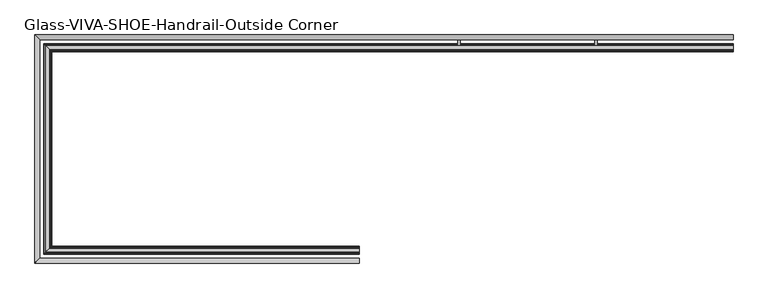
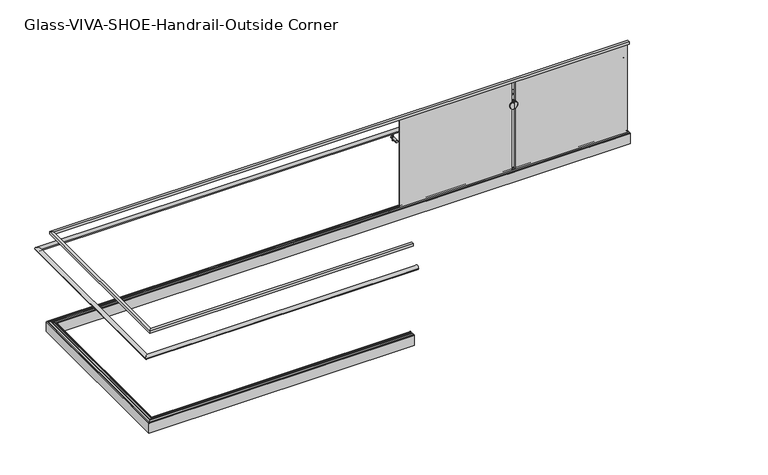
"""IFC4 building model written with IfcOpenShell, lengths in millimetres: railing geometry, Glass-VIVA-SHOE-Handrail-Outside Corner."""

from ifc_helpers import new_model, si_unit, point, frame, frame_2d, origin, place, context, project, spatial, polyline, circle_curve, ellipse_curve, trimmed, segment, composite_curve, outline, extrude, faceted_brep, source, transform, mapped, element, save
from ifc_brep_helpers import plane_surface, cylinder_surface, revolved_surface, advanced_brep


def glass_viva_shoe_handrail_outside_corner_a963de84(model_context):
    return source(origin(), model_context, "Body", "SolidModel", [
        advanced_brep(
        [(-12806.0014824, 8555.574143, 3040.0), (-12806.0014824, 8565.099143, 3040.0), (-12806.0014824, 8565.099143, 3041.5875), (-12806.0014824, 8609.549143, 3041.5875), (-12806.0014824, 8609.549143, 3040.0), (-12806.0014824, 8619.074143, 3040.0), (-12806.0014824, 8619.074143, 3138.425), (-12806.0014824, 8615.899143, 3141.6), (-12806.0014824, 8607.961643, 3141.6), (-12806.0014824, 8607.961643, 3138.425), (-12806.0014824, 8607.961643, 3135.25), (-12806.0014824, 8607.961643, 3068.575), (-12806.0014824, 8600.024143, 3068.575), (-12806.0014824, 8600.024143, 3062.225), (-12806.0014824, 8596.849143, 3059.05), (-12806.0014824, 8577.799143, 3059.05), (-12806.0014824, 8574.624143, 3062.225), (-12806.0014824, 8574.624143, 3068.575), (-12806.0014824, 8566.686643, 3068.575), (-12806.0014824, 8566.686643, 3135.25), (-12806.0014824, 8566.686643, 3138.425), (-12806.0014824, 8566.686643, 3141.6), (-12806.0014824, 8558.749143, 3141.6), (-12806.0014824, 8555.574143, 3138.425), (-15337.7514824, 8555.574143, 3040.0), (-15328.2264824, 8565.099143, 3040.0), (-15328.2264824, 8565.099143, 3041.5875), (-15283.7764824, 8609.549143, 3041.5875), (-15283.7764824, 8609.549143, 3040.0), (-15274.2514824, 8619.074143, 3040.0), (-15274.2514824, 8619.074143, 3138.425), (-15277.4264824, 8615.899143, 3141.6), (-15285.3639824, 8607.961643, 3141.6), (-15285.3639824, 8607.961643, 3138.425), (-15285.3639824, 8607.961643, 3135.25), (-15285.3639824, 8607.961643, 3068.575), (-15293.3014824, 8600.024143, 3068.575), (-15293.3014824, 8600.024143, 3062.225), (-15296.4764824, 8596.849143, 3059.05), (-15315.5264824, 8577.799143, 3059.05), (-15318.7014824, 8574.624143, 3062.225), (-15318.7014824, 8574.624143, 3068.575), (-15326.6389824, 8566.686643, 3068.575), (-15326.6389824, 8566.686643, 3135.25), (-15326.6389824, 8566.686643, 3138.425), (-15326.6389824, 8566.686643, 3141.6), (-15334.5764824, 8558.749143, 3141.6), (-15337.7514824, 8555.574143, 3138.425), (-15337.7514824, 10246.074143, 3040.0), (-15328.2264824, 10236.549143, 3040.0), (-15328.2264824, 10236.549143, 3041.5875), (-15283.7764824, 10192.099143, 3041.5875), (-15283.7764824, 10192.099143, 3040.0), (-15274.2514824, 10182.574143, 3040.0), (-15274.2514824, 10182.574143, 3138.425), (-15277.4264824, 10185.749143, 3141.6), (-15285.3639824, 10193.686643, 3141.6), (-15285.3639824, 10193.686643, 3138.425), (-15285.3639824, 10193.686643, 3135.25), (-15285.3639824, 10193.686643, 3068.575), (-15293.3014824, 10201.624143, 3068.575), (-15293.3014824, 10201.624143, 3062.225), (-15296.4764824, 10204.799143, 3059.05), (-15315.5264824, 10223.849143, 3059.05), (-15318.7014824, 10227.024143, 3062.225), (-15318.7014824, 10227.024143, 3068.575), (-15326.6389824, 10234.961643, 3068.575), (-15326.6389824, 10234.961643, 3135.25), (-15326.6389824, 10234.961643, 3138.425), (-15326.6389824, 10234.961643, 3141.6), (-15334.5764824, 10242.899143, 3141.6), (-15337.7514824, 10246.074143, 3138.425), (-9806.0014824, 10246.074143, 3040.0), (-9806.0014824, 10246.074143, 3138.425), (-9806.0014824, 10242.899143, 3141.6), (-9806.0014824, 10234.961643, 3141.6), (-9806.0014824, 10234.961643, 3138.425), (-9806.0014824, 10234.961643, 3135.25), (-9806.0014824, 10234.961643, 3068.575), (-9806.0014824, 10227.024143, 3068.575), (-9806.0014824, 10227.024143, 3062.225), (-9806.0014824, 10223.849143, 3059.05), (-9806.0014824, 10204.799143, 3059.05), (-9806.0014824, 10201.624143, 3062.225), (-9806.0014824, 10201.624143, 3068.575), (-9806.0014824, 10193.686643, 3068.575), (-9806.0014824, 10193.686643, 3135.25), (-9806.0014824, 10193.686643, 3138.425), (-9806.0014824, 10193.686643, 3141.6), (-9806.0014824, 10185.749143, 3141.6), (-9806.0014824, 10182.574143, 3138.425), (-9806.0014824, 10182.574143, 3040.0), (-9806.0014824, 10192.099143, 3040.0), (-9806.0014824, 10192.099143, 3041.5875), (-9806.0014824, 10236.549143, 3041.5875), (-9806.0014824, 10236.549143, 3040.0)],
        [
            (0, 1),
            (1, 2),
            (2, 3),
            (3, 4),
            (4, 5),
            (5, 6),
            (6, 7, circle_curve(frame((-12806.0014824, 8615.899143, 3138.425), z_axis=(1.0, 0.0, 0.0), x_axis=(0.0, -1.0, 0.0)), 3.175)),
            (7, 8),
            (8, 9),
            (9, 10, circle_curve(frame((-12806.0014824, 8607.961643, 3136.8375), z_axis=(-1.0, 0.0, 0.0), x_axis=(0.0, -1.0, 0.0)), 1.5875)),
            (10, 11),
            (11, 12),
            (12, 13),
            (13, 14, circle_curve(frame((-12806.0014824, 8596.849143, 3062.225), z_axis=(-1.0, 0.0, 0.0), x_axis=(0.0, -1.0, 0.0)), 3.175)),
            (14, 15),
            (15, 16, circle_curve(frame((-12806.0014824, 8577.799143, 3062.225), z_axis=(-1.0, 0.0, 0.0), x_axis=(0.0, 1.0, 0.0)), 3.175)),
            (16, 17),
            (17, 18),
            (18, 19),
            (19, 20, circle_curve(frame((-12806.0014824, 8566.686643, 3136.8375), z_axis=(-1.0, 0.0, 0.0), x_axis=(0.0, 1.0, 0.0)), 1.5875)),
            (20, 21),
            (21, 22),
            (22, 23, circle_curve(frame((-12806.0014824, 8558.749143, 3138.425), z_axis=(1.0, 0.0, 0.0), x_axis=(0.0, 1.0, 0.0)), 3.175)),
            (23, 0),
            (0, 24),
            (24, 25),
            (25, 1),
            (25, 26),
            (26, 2),
            (26, 27),
            (27, 3),
            (27, 28),
            (28, 4),
            (28, 29),
            (29, 5),
            (29, 30),
            (30, 6),
            (30, 31, ellipse_curve(frame((-15277.4264824, 8615.899143, 3138.425), z_axis=(0.7071067811865459, -0.7071067811865491, 0.0), x_axis=(0.7071067811865492, 0.7071067811865458, 0.0)), 4.4901281, 3.175)),
            (31, 7),
            (31, 32),
            (32, 8),
            (32, 33),
            (33, 9),
            (33, 34, ellipse_curve(frame((-15285.3639824, 8607.961643, 3136.8375), z_axis=(-0.7071067811865459, 0.7071067811865491, 0.0), x_axis=(-0.7071067811865492, -0.7071067811865458, 0.0)), 2.245064, 1.5875)),
            (34, 10),
            (34, 35),
            (35, 11),
            (35, 36),
            (36, 12),
            (36, 37),
            (37, 13),
            (37, 38, ellipse_curve(frame((-15296.4764824, 8596.849143, 3062.225), z_axis=(-0.7071067811865459, 0.7071067811865491, 0.0), x_axis=(-0.7071067811865492, -0.7071067811865458, 0.0)), 4.4901281, 3.175)),
            (38, 14),
            (38, 39),
            (39, 15),
            (39, 40, ellipse_curve(frame((-15315.5264824, 8577.799143, 3062.225), z_axis=(-0.7071067811865459, 0.7071067811865491, 0.0), x_axis=(-0.7071067811865492, -0.7071067811865458, 0.0)), 4.4901281, 3.175)),
            (40, 16),
            (40, 41),
            (41, 17),
            (41, 42),
            (42, 18),
            (42, 43),
            (43, 19),
            (43, 44, ellipse_curve(frame((-15326.6389824, 8566.686643, 3136.8375), z_axis=(-0.7071067811865459, 0.7071067811865491, 0.0), x_axis=(-0.7071067811865492, -0.7071067811865458, 0.0)), 2.245064, 1.5875)),
            (44, 20),
            (44, 45),
            (45, 21),
            (45, 46),
            (46, 22),
            (46, 47, ellipse_curve(frame((-15334.5764824, 8558.749143, 3138.425), z_axis=(0.7071067811865459, -0.7071067811865491, 0.0), x_axis=(0.7071067811865492, 0.7071067811865458, 0.0)), 4.4901281, 3.175)),
            (47, 23),
            (47, 24),
            (24, 48),
            (48, 49),
            (49, 25),
            (49, 50),
            (50, 26),
            (50, 51),
            (51, 27),
            (51, 52),
            (52, 28),
            (52, 53),
            (53, 29),
            (53, 54),
            (54, 30),
            (54, 55, ellipse_curve(frame((-15277.4264824, 10185.749143, 3138.425), z_axis=(-0.707106781186549, -0.7071067811865458, 0.0), x_axis=(0.7071067811865457, -0.7071067811865495, 0.0)), 4.4901281, 3.175)),
            (55, 31),
            (55, 56),
            (56, 32),
            (56, 57),
            (57, 33),
            (57, 58, ellipse_curve(frame((-15285.3639824, 10193.686643, 3136.8375), z_axis=(0.707106781186549, 0.7071067811865458, 0.0), x_axis=(-0.7071067811865457, 0.7071067811865495, 0.0)), 2.245064, 1.5875)),
            (58, 34),
            (58, 59),
            (59, 35),
            (59, 60),
            (60, 36),
            (60, 61),
            (61, 37),
            (61, 62, ellipse_curve(frame((-15296.4764824, 10204.799143, 3062.225), z_axis=(0.707106781186549, 0.7071067811865458, 0.0), x_axis=(-0.7071067811865457, 0.7071067811865495, 0.0)), 4.4901281, 3.175)),
            (62, 38),
            (62, 63),
            (63, 39),
            (63, 64, ellipse_curve(frame((-15315.5264824, 10223.849143, 3062.225), z_axis=(0.707106781186549, 0.7071067811865458, 0.0), x_axis=(-0.7071067811865457, 0.7071067811865495, 0.0)), 4.4901281, 3.175)),
            (64, 40),
            (64, 65),
            (65, 41),
            (65, 66),
            (66, 42),
            (66, 67),
            (67, 43),
            (67, 68, ellipse_curve(frame((-15326.6389824, 10234.961643, 3136.8375), z_axis=(0.707106781186549, 0.7071067811865458, 0.0), x_axis=(-0.7071067811865457, 0.7071067811865495, 0.0)), 2.245064, 1.5875)),
            (68, 44),
            (68, 69),
            (69, 45),
            (69, 70),
            (70, 46),
            (70, 71, ellipse_curve(frame((-15334.5764824, 10242.899143, 3138.425), z_axis=(-0.707106781186549, -0.7071067811865458, 0.0), x_axis=(0.7071067811865457, -0.7071067811865495, 0.0)), 4.4901281, 3.175)),
            (71, 47),
            (71, 48),
            (72, 73),
            (73, 74, circle_curve(frame((-9806.0014824, 10242.899143, 3138.425), z_axis=(1.0, 0.0, 0.0), x_axis=(0.0, -1.0, 0.0)), 3.175)),
            (74, 75),
            (75, 76),
            (76, 77, circle_curve(frame((-9806.0014824, 10234.961643, 3136.8375), z_axis=(-1.0, 0.0, 0.0), x_axis=(0.0, -1.0, 0.0)), 1.5875)),
            (77, 78),
            (78, 79),
            (79, 80),
            (80, 81, circle_curve(frame((-9806.0014824, 10223.849143, 3062.225), z_axis=(-1.0, 0.0, 0.0), x_axis=(0.0, -1.0, 0.0)), 3.175)),
            (81, 82),
            (82, 83, circle_curve(frame((-9806.0014824, 10204.799143, 3062.225), z_axis=(-1.0, 0.0, 0.0), x_axis=(0.0, 1.0, 0.0)), 3.175)),
            (83, 84),
            (84, 85),
            (85, 86),
            (86, 87, circle_curve(frame((-9806.0014824, 10193.686643, 3136.8375), z_axis=(-1.0, 0.0, 0.0), x_axis=(0.0, 1.0, 0.0)), 1.5875)),
            (87, 88),
            (88, 89),
            (89, 90, circle_curve(frame((-9806.0014824, 10185.749143, 3138.425), z_axis=(1.0, 0.0, 0.0), x_axis=(0.0, 1.0, 0.0)), 3.175)),
            (90, 91),
            (91, 92),
            (92, 93),
            (93, 94),
            (94, 95),
            (95, 72),
            (48, 72),
            (95, 49),
            (94, 50),
            (93, 51),
            (92, 52),
            (91, 53),
            (90, 54),
            (89, 55),
            (88, 56),
            (87, 57),
            (86, 58),
            (85, 59),
            (84, 60),
            (83, 61),
            (82, 62),
            (81, 63),
            (80, 64),
            (79, 65),
            (78, 66),
            (77, 67),
            (76, 68),
            (75, 69),
            (74, 70),
            (73, 71),
        ],
        [
            plane_surface(frame((-12806.0014824, 8587.324143, 3141.6), z_axis=(1.0, 0.0, 0.0), x_axis=(0.0, -1.0, 0.0))),
            plane_surface(frame((-12806.0014824, 8555.574143, 3040.0), z_axis=(0.0, 0.0, -1.0), x_axis=(-1.0, 0.0, 0.0))),
            plane_surface(frame((-12806.0014824, 8565.099143, 3040.0), z_axis=(0.0, 1.0, 0.0), x_axis=(-1.0, 0.0, 0.0))),
            plane_surface(frame((-12806.0014824, 8565.099143, 3041.5875), z_axis=(0.0, 0.0, -1.0), x_axis=(-1.0, 0.0, 0.0))),
            plane_surface(frame((-12806.0014824, 8609.549143, 3041.5875), z_axis=(0.0, -1.0, 0.0), x_axis=(-1.0, 0.0, 0.0))),
            plane_surface(frame((-12806.0014824, 8609.549143, 3040.0), z_axis=(0.0, 0.0, -1.0), x_axis=(-1.0, 0.0, 0.0))),
            plane_surface(frame((-12806.0014824, 8619.074143, 3040.0), z_axis=(0.0, 1.0, 0.0), x_axis=(-1.0, 0.0, 0.0))),
            cylinder_surface(frame((-12806.0014824, 8615.899143, 3138.425), z_axis=(1.0, 0.0, 0.0), x_axis=(0.0, -1.0, 0.0)), 3.175),
            plane_surface(frame((-12806.0014824, 8615.899143, 3141.6), z_axis=(0.0, 0.0, 1.0), x_axis=(-1.0, 0.0, 0.0))),
            plane_surface(frame((-12806.0014824, 8607.961643, 3141.6), z_axis=(0.0, -1.0, 0.0), x_axis=(-1.0, 0.0, 0.0))),
            revolved_surface(polyline([(-15286.951482378598, 8606.374143000001, 3136.8375), (-12806.0014824, 8606.374143000001, 3136.8375)]), (-12806.0014824, 8607.961643, 3136.8375), (-1.0, 0.0, 0.0)),
            plane_surface(frame((-12806.0014824, 8607.961643, 3135.25), z_axis=(0.0, -1.0, 0.0), x_axis=(-1.0, 0.0, 0.0))),
            plane_surface(frame((-12806.0014824, 8607.961643, 3068.575), z_axis=(0.0, 0.0, 1.0), x_axis=(-1.0, 0.0, 0.0))),
            plane_surface(frame((-12806.0014824, 8600.024143, 3068.575), z_axis=(0.0, -1.0, 0.0), x_axis=(-1.0, 0.0, 0.0))),
            revolved_surface(polyline([(-15299.651482427906, 8593.674143, 3062.225), (-12806.0014824, 8593.674143, 3062.225)]), (-12806.0014824, 8596.849143, 3062.225), (-1.0, 0.0, 0.0)),
            plane_surface(frame((-12806.0014824, 8596.849143, 3059.05), z_axis=(0.0, 0.0, 1.0), x_axis=(-1.0, 0.0, 0.0))),
            revolved_surface(polyline([(-15318.701482427907, 8580.974143, 3062.225), (-12806.0014824, 8580.974143, 3062.225)]), (-12806.0014824, 8577.799143, 3062.225), (-1.0, 0.0, 0.0)),
            plane_surface(frame((-12806.0014824, 8574.624143, 3062.225), z_axis=(0.0, 1.0, 0.0), x_axis=(-1.0, 0.0, 0.0))),
            plane_surface(frame((-12806.0014824, 8574.624143, 3068.575), z_axis=(0.0, 0.0, 1.0), x_axis=(-1.0, 0.0, 0.0))),
            plane_surface(frame((-12806.0014824, 8566.686643, 3068.575), z_axis=(0.0, 1.0, 0.0), x_axis=(-1.0, 0.0, 0.0))),
            revolved_surface(polyline([(-15328.226482378597, 8568.274142999999, 3136.8375), (-12806.0014824, 8568.274142999999, 3136.8375)]), (-12806.0014824, 8566.686643, 3136.8375), (-1.0, 0.0, 0.0)),
            plane_surface(frame((-12806.0014824, 8566.686643, 3138.425), z_axis=(0.0, 1.0, 0.0), x_axis=(-1.0, 0.0, 0.0))),
            plane_surface(frame((-12806.0014824, 8566.686643, 3141.6), z_axis=(0.0, 0.0, 1.0), x_axis=(-1.0, 0.0, 0.0))),
            cylinder_surface(frame((-12806.0014824, 8558.749143, 3138.425), z_axis=(1.0, 0.0, 0.0), x_axis=(0.0, 1.0, 0.0)), 3.175),
            plane_surface(frame((-12806.0014824, 8555.574143, 3138.425), z_axis=(0.0, -1.0, 0.0), x_axis=(-1.0, 0.0, 0.0))),
            plane_surface(frame((-15337.7514824, 8555.574143, 3040.0), z_axis=(0.0, 0.0, -1.0), x_axis=(0.0, 1.0, 0.0))),
            plane_surface(frame((-15328.2264824, 8565.099143, 3040.0), z_axis=(1.0, 0.0, 0.0), x_axis=(0.0, 1.0, 0.0))),
            plane_surface(frame((-15328.2264824, 8565.099143, 3041.5875), z_axis=(0.0, 0.0, -1.0), x_axis=(0.0, 1.0, 0.0))),
            plane_surface(frame((-15283.7764824, 8609.549143, 3041.5875), z_axis=(-1.0, 0.0, 0.0), x_axis=(0.0, 1.0, 0.0))),
            plane_surface(frame((-15283.7764824, 8609.549143, 3040.0), z_axis=(0.0, 0.0, -1.0), x_axis=(0.0, 1.0, 0.0))),
            plane_surface(frame((-15274.2514824, 8619.074143, 3040.0), z_axis=(1.0, 0.0, 0.0), x_axis=(0.0, 1.0, 0.0))),
            cylinder_surface(frame((-15277.4264824, 8587.324143, 3138.425), z_axis=(0.0, -1.0, 0.0), x_axis=(-1.0, 0.0, 0.0)), 3.175),
            plane_surface(frame((-15277.4264824, 8615.899143, 3141.6), z_axis=(0.0, 0.0, 1.0), x_axis=(0.0, 1.0, 0.0))),
            plane_surface(frame((-15285.3639824, 8607.961643, 3141.6), z_axis=(-1.0, 0.0, 0.0), x_axis=(0.0, 1.0, 0.0))),
            revolved_surface(polyline([(-15286.9514824, 10195.274142978597, 3136.8375), (-15286.9514824, 8606.374143021403, 3136.8375)]), (-15285.3639824, 8587.324143, 3136.8375), (0.0, 1.0, 0.0)),
            plane_surface(frame((-15285.3639824, 8607.961643, 3135.25), z_axis=(-1.0, 0.0, 0.0), x_axis=(0.0, 1.0, 0.0))),
            plane_surface(frame((-15285.3639824, 8607.961643, 3068.575), z_axis=(0.0, 0.0, 1.0), x_axis=(0.0, 1.0, 0.0))),
            plane_surface(frame((-15293.3014824, 8600.024143, 3068.575), z_axis=(-1.0, 0.0, 0.0), x_axis=(0.0, 1.0, 0.0))),
            revolved_surface(polyline([(-15299.651482399999, 10207.974143027906, 3062.225), (-15299.651482399999, 8593.674142972093, 3062.225)]), (-15296.4764824, 8587.324143, 3062.225), (0.0, 1.0, 0.0)),
            plane_surface(frame((-15296.4764824, 8596.849143, 3059.05), z_axis=(0.0, 0.0, 1.0), x_axis=(0.0, 1.0, 0.0))),
            revolved_surface(polyline([(-15312.351482400001, 10227.024143027906, 3062.225), (-15312.351482400001, 8574.624142972094, 3062.225)]), (-15315.5264824, 8587.324143, 3062.225), (0.0, 1.0, 0.0)),
            plane_surface(frame((-15318.7014824, 8574.624143, 3062.225), z_axis=(1.0, 0.0, 0.0), x_axis=(0.0, 1.0, 0.0))),
            plane_surface(frame((-15318.7014824, 8574.624143, 3068.575), z_axis=(0.0, 0.0, 1.0), x_axis=(0.0, 1.0, 0.0))),
            plane_surface(frame((-15326.6389824, 8566.686643, 3068.575), z_axis=(1.0, 0.0, 0.0), x_axis=(0.0, 1.0, 0.0))),
            revolved_surface(polyline([(-15325.0514824, 10236.549142978598, 3136.8375), (-15325.0514824, 8565.099143021402, 3136.8375)]), (-15326.6389824, 8587.324143, 3136.8375), (0.0, 1.0, 0.0)),
            plane_surface(frame((-15326.6389824, 8566.686643, 3138.425), z_axis=(1.0, 0.0, 0.0), x_axis=(0.0, 1.0, 0.0))),
            plane_surface(frame((-15326.6389824, 8566.686643, 3141.6), z_axis=(0.0, 0.0, 1.0), x_axis=(0.0, 1.0, 0.0))),
            cylinder_surface(frame((-15334.5764824, 8587.324143, 3138.425), z_axis=(0.0, -1.0, 0.0), x_axis=(1.0, 0.0, 0.0)), 3.175),
            plane_surface(frame((-15337.7514824, 8555.574143, 3138.425), z_axis=(-1.0, 0.0, 0.0), x_axis=(0.0, 1.0, 0.0))),
            plane_surface(frame((-9806.0014824, 10214.324143, 3141.6), z_axis=(1.0, 0.0, 0.0), x_axis=(0.0, 1.0, 0.0))),
            plane_surface(frame((-15337.7514824, 10246.074143, 3040.0), z_axis=(0.0, 0.0, -1.0), x_axis=(1.0, 0.0, 0.0))),
            plane_surface(frame((-15328.2264824, 10236.549143, 3040.0), z_axis=(0.0, -1.0, 0.0), x_axis=(1.0, 0.0, 0.0))),
            plane_surface(frame((-15328.2264824, 10236.549143, 3041.5875), z_axis=(0.0, 0.0, -1.0), x_axis=(1.0, 0.0, 0.0))),
            plane_surface(frame((-15283.7764824, 10192.099143, 3041.5875), z_axis=(0.0, 1.0, 0.0), x_axis=(1.0, 0.0, 0.0))),
            plane_surface(frame((-15283.7764824, 10192.099143, 3040.0), z_axis=(0.0, 0.0, -1.0), x_axis=(1.0, 0.0, 0.0))),
            plane_surface(frame((-15274.2514824, 10182.574143, 3040.0), z_axis=(0.0, -1.0, 0.0), x_axis=(1.0, 0.0, 0.0))),
            cylinder_surface(frame((-15306.0014824, 10185.749143, 3138.425), z_axis=(-1.0, 0.0, 0.0), x_axis=(0.0, 1.0, 0.0)), 3.175),
            plane_surface(frame((-15277.4264824, 10185.749143, 3141.6), z_axis=(0.0, 0.0, 1.0), x_axis=(1.0, 0.0, 0.0))),
            plane_surface(frame((-15285.3639824, 10193.686643, 3141.6), z_axis=(0.0, 1.0, 0.0), x_axis=(1.0, 0.0, 0.0))),
            revolved_surface(polyline([(-9806.0014824, 10195.274142999999, 3136.8375), (-15286.951482378598, 10195.274142999999, 3136.8375)]), (-15306.0014824, 10193.686643, 3136.8375), (1.0, 0.0, 0.0)),
            plane_surface(frame((-15285.3639824, 10193.686643, 3135.25), z_axis=(0.0, 1.0, 0.0), x_axis=(1.0, 0.0, 0.0))),
            plane_surface(frame((-15285.3639824, 10193.686643, 3068.575), z_axis=(0.0, 0.0, 1.0), x_axis=(1.0, 0.0, 0.0))),
            plane_surface(frame((-15293.3014824, 10201.624143, 3068.575), z_axis=(0.0, 1.0, 0.0), x_axis=(1.0, 0.0, 0.0))),
            revolved_surface(polyline([(-9806.0014824, 10207.974143, 3062.225), (-15299.651482427906, 10207.974143, 3062.225)]), (-15306.0014824, 10204.799143, 3062.225), (1.0, 0.0, 0.0)),
            plane_surface(frame((-15296.4764824, 10204.799143, 3059.05), z_axis=(0.0, 0.0, 1.0), x_axis=(1.0, 0.0, 0.0))),
            revolved_surface(polyline([(-9806.0014824, 10220.674143, 3062.225), (-15318.701482427907, 10220.674143, 3062.225)]), (-15306.0014824, 10223.849143, 3062.225), (1.0, 0.0, 0.0)),
            plane_surface(frame((-15318.7014824, 10227.024143, 3062.225), z_axis=(0.0, -1.0, 0.0), x_axis=(1.0, 0.0, 0.0))),
            plane_surface(frame((-15318.7014824, 10227.024143, 3068.575), z_axis=(0.0, 0.0, 1.0), x_axis=(1.0, 0.0, 0.0))),
            plane_surface(frame((-15326.6389824, 10234.961643, 3068.575), z_axis=(0.0, -1.0, 0.0), x_axis=(1.0, 0.0, 0.0))),
            revolved_surface(polyline([(-9806.0014824, 10233.374143000001, 3136.8375), (-15328.226482378597, 10233.374143000001, 3136.8375)]), (-15306.0014824, 10234.961643, 3136.8375), (1.0, 0.0, 0.0)),
            plane_surface(frame((-15326.6389824, 10234.961643, 3138.425), z_axis=(0.0, -1.0, 0.0), x_axis=(1.0, 0.0, 0.0))),
            plane_surface(frame((-15326.6389824, 10234.961643, 3141.6), z_axis=(0.0, 0.0, 1.0), x_axis=(1.0, 0.0, 0.0))),
            cylinder_surface(frame((-15306.0014824, 10242.899143, 3138.425), z_axis=(-1.0, 0.0, 0.0), x_axis=(0.0, -1.0, 0.0)), 3.175),
            plane_surface(frame((-15337.7514824, 10246.074143, 3138.425), z_axis=(0.0, 1.0, 0.0), x_axis=(1.0, 0.0, 0.0))),
        ],
        [
            (0, [[1, 2, 3, 4, 5, 6, 7, 8, 9, 10, 11, 12, 13, 14, 15, 16, 17, 18, 19, 20, 21, 22, 23, 24]]),
            (1, [[-1, 25, 26, 27]]),
            (2, [[-2, -27, 28, 29]]),
            (3, [[-3, -29, 30, 31]]),
            (4, [[-4, -31, 32, 33]]),
            (5, [[-5, -33, 34, 35]]),
            (6, [[-6, -35, 36, 37]]),
            (7, [[-7, -37, 38, 39]]),
            (8, [[-8, -39, 40, 41]]),
            (9, [[-9, -41, 42, 43]]),
            (10, [[-10, -43, 44, 45]]),
            (11, [[-11, -45, 46, 47]]),
            (12, [[-12, -47, 48, 49]]),
            (13, [[-13, -49, 50, 51]]),
            (14, [[-14, -51, 52, 53]]),
            (15, [[-15, -53, 54, 55]]),
            (16, [[-16, -55, 56, 57]]),
            (17, [[-17, -57, 58, 59]]),
            (18, [[-18, -59, 60, 61]]),
            (19, [[-19, -61, 62, 63]]),
            (20, [[-20, -63, 64, 65]]),
            (21, [[-21, -65, 66, 67]]),
            (22, [[-22, -67, 68, 69]]),
            (23, [[-23, -69, 70, 71]]),
            (24, [[-24, -71, 72, -25]]),
            (25, [[-26, 73, 74, 75]]),
            (26, [[-28, -75, 76, 77]]),
            (27, [[-30, -77, 78, 79]]),
            (28, [[-32, -79, 80, 81]]),
            (29, [[-34, -81, 82, 83]]),
            (30, [[-36, -83, 84, 85]]),
            (31, [[-38, -85, 86, 87]]),
            (32, [[-40, -87, 88, 89]]),
            (33, [[-42, -89, 90, 91]]),
            (34, [[-44, -91, 92, 93]]),
            (35, [[-46, -93, 94, 95]]),
            (36, [[-48, -95, 96, 97]]),
            (37, [[-50, -97, 98, 99]]),
            (38, [[-52, -99, 100, 101]]),
            (39, [[-54, -101, 102, 103]]),
            (40, [[-56, -103, 104, 105]]),
            (41, [[-58, -105, 106, 107]]),
            (42, [[-60, -107, 108, 109]]),
            (43, [[-62, -109, 110, 111]]),
            (44, [[-64, -111, 112, 113]]),
            (45, [[-66, -113, 114, 115]]),
            (46, [[-68, -115, 116, 117]]),
            (47, [[-70, -117, 118, 119]]),
            (48, [[-72, -119, 120, -73]]),
            (49, [[121, 122, 123, 124, 125, 126, 127, 128, 129, 130, 131, 132, 133, 134, 135, 136, 137, 138, 139, 140, 141, 142, 143, 144]]),
            (50, [[-74, 145, -144, 146]]),
            (51, [[-76, -146, -143, 147]]),
            (52, [[-78, -147, -142, 148]]),
            (53, [[-80, -148, -141, 149]]),
            (54, [[-82, -149, -140, 150]]),
            (55, [[-84, -150, -139, 151]]),
            (56, [[-86, -151, -138, 152]]),
            (57, [[-88, -152, -137, 153]]),
            (58, [[-90, -153, -136, 154]]),
            (59, [[-92, -154, -135, 155]]),
            (60, [[-94, -155, -134, 156]]),
            (61, [[-96, -156, -133, 157]]),
            (62, [[-98, -157, -132, 158]]),
            (63, [[-100, -158, -131, 159]]),
            (64, [[-102, -159, -130, 160]]),
            (65, [[-104, -160, -129, 161]]),
            (66, [[-106, -161, -128, 162]]),
            (67, [[-108, -162, -127, 163]]),
            (68, [[-110, -163, -126, 164]]),
            (69, [[-112, -164, -125, 165]]),
            (70, [[-114, -165, -124, 166]]),
            (71, [[-116, -166, -123, 167]]),
            (72, [[-118, -167, -122, 168]]),
            (73, [[-120, -168, -121, -145]]),
        ],
    ),
        advanced_brep(
        [(-12806.0014824, 8607.961643, 3068.575), (-12806.0014824, 8607.961643, 3135.25), (-12806.0014824, 8607.961643, 3138.425), (-12806.0014824, 8607.961643, 3141.6), (-12806.0014824, 8593.674143, 3144.775), (-12806.0014824, 8593.674143, 3062.225), (-12806.0014824, 8580.974143, 3062.225), (-12806.0014824, 8580.974143, 3144.775), (-12806.0014824, 8566.686643, 3141.6), (-12806.0014824, 8566.686643, 3138.425), (-12806.0014824, 8566.686643, 3135.25), (-12806.0014824, 8566.686643, 3068.575), (-12806.0014824, 8574.624143, 3068.575), (-12806.0014824, 8574.624143, 3059.05), (-12806.0014824, 8600.024143, 3059.05), (-12806.0014824, 8600.024143, 3068.575), (-15285.3639824, 8607.961643, 3068.575), (-15285.3639824, 8607.961643, 3135.25), (-15285.3639824, 8607.961643, 3138.425), (-15285.3639824, 8607.961643, 3141.6), (-15299.6514824, 8593.674143, 3144.775), (-15299.6514824, 8593.674143, 3062.225), (-15312.3514824, 8580.974143, 3062.225), (-15312.3514824, 8580.974143, 3144.775), (-15326.6389824, 8566.686643, 3141.6), (-15326.6389824, 8566.686643, 3138.425), (-15326.6389824, 8566.686643, 3135.25), (-15326.6389824, 8566.686643, 3068.575), (-15318.7014824, 8574.624143, 3068.575), (-15318.7014824, 8574.624143, 3059.05), (-15293.3014824, 8600.024143, 3059.05), (-15293.3014824, 8600.024143, 3068.575), (-15285.3639824, 10193.686643, 3068.575), (-15285.3639824, 10193.686643, 3135.25), (-15285.3639824, 10193.686643, 3138.425), (-15285.3639824, 10193.686643, 3141.6), (-15299.6514824, 10207.974143, 3144.775), (-15299.6514824, 10207.974143, 3062.225), (-15312.3514824, 10220.674143, 3062.225), (-15312.3514824, 10220.674143, 3144.775), (-15326.6389824, 10234.961643, 3141.6), (-15326.6389824, 10234.961643, 3138.425), (-15326.6389824, 10234.961643, 3135.25), (-15326.6389824, 10234.961643, 3068.575), (-15318.7014824, 10227.024143, 3068.575), (-15318.7014824, 10227.024143, 3059.05), (-15293.3014824, 10201.624143, 3059.05), (-15293.3014824, 10201.624143, 3068.575), (-9806.0014824, 10193.686643, 3068.575), (-9806.0014824, 10201.624143, 3068.575), (-9806.0014824, 10201.624143, 3059.05), (-9806.0014824, 10227.024143, 3059.05), (-9806.0014824, 10227.024143, 3068.575), (-9806.0014824, 10234.961643, 3068.575), (-9806.0014824, 10234.961643, 3135.25), (-9806.0014824, 10234.961643, 3138.425), (-9806.0014824, 10234.961643, 3141.6), (-9806.0014824, 10220.674143, 3144.775), (-9806.0014824, 10220.674143, 3062.225), (-9806.0014824, 10207.974143, 3062.225), (-9806.0014824, 10207.974143, 3144.775), (-9806.0014824, 10193.686643, 3141.6), (-9806.0014824, 10193.686643, 3138.425), (-9806.0014824, 10193.686643, 3135.25)],
        [
            (0, 1),
            (1, 2, circle_curve(frame((-12806.0014824, 8607.961643, 3136.8375), z_axis=(1.0, 0.0, 0.0), x_axis=(0.0, -1.0, 0.0)), 1.5875)),
            (2, 3),
            (3, 4),
            (4, 5),
            (5, 6),
            (6, 7),
            (7, 8),
            (8, 9),
            (9, 10, circle_curve(frame((-12806.0014824, 8566.686643, 3136.8375), z_axis=(1.0, 0.0, 0.0), x_axis=(0.0, 1.0, 0.0)), 1.5875)),
            (10, 11),
            (11, 12),
            (12, 13),
            (13, 14),
            (14, 15),
            (15, 0),
            (0, 16),
            (16, 17),
            (17, 1),
            (17, 18, ellipse_curve(frame((-15285.3639824, 8607.961643, 3136.8375), z_axis=(0.7071067811865459, -0.7071067811865491, 0.0), x_axis=(0.7071067811865492, 0.7071067811865458, 0.0)), 2.245064, 1.5875)),
            (18, 2),
            (18, 19),
            (19, 3),
            (19, 20),
            (20, 4),
            (20, 21),
            (21, 5),
            (21, 22),
            (22, 6),
            (22, 23),
            (23, 7),
            (23, 24),
            (24, 8),
            (24, 25),
            (25, 9),
            (25, 26, ellipse_curve(frame((-15326.6389824, 8566.686643, 3136.8375), z_axis=(0.7071067811865459, -0.7071067811865491, 0.0), x_axis=(0.7071067811865492, 0.7071067811865458, 0.0)), 2.245064, 1.5875)),
            (26, 10),
            (26, 27),
            (27, 11),
            (27, 28),
            (28, 12),
            (28, 29),
            (29, 13),
            (29, 30),
            (30, 14),
            (30, 31),
            (31, 15),
            (31, 16),
            (16, 32),
            (32, 33),
            (33, 17),
            (33, 34, ellipse_curve(frame((-15285.3639824, 10193.686643, 3136.8375), z_axis=(-0.707106781186549, -0.7071067811865458, 0.0), x_axis=(0.7071067811865457, -0.7071067811865495, 0.0)), 2.245064, 1.5875)),
            (34, 18),
            (34, 35),
            (35, 19),
            (35, 36),
            (36, 20),
            (36, 37),
            (37, 21),
            (37, 38),
            (38, 22),
            (38, 39),
            (39, 23),
            (39, 40),
            (40, 24),
            (40, 41),
            (41, 25),
            (41, 42, ellipse_curve(frame((-15326.6389824, 10234.961643, 3136.8375), z_axis=(-0.707106781186549, -0.7071067811865458, 0.0), x_axis=(0.7071067811865457, -0.7071067811865495, 0.0)), 2.245064, 1.5875)),
            (42, 26),
            (42, 43),
            (43, 27),
            (43, 44),
            (44, 28),
            (44, 45),
            (45, 29),
            (45, 46),
            (46, 30),
            (46, 47),
            (47, 31),
            (47, 32),
            (48, 49),
            (49, 50),
            (50, 51),
            (51, 52),
            (52, 53),
            (53, 54),
            (54, 55, circle_curve(frame((-9806.0014824, 10234.961643, 3136.8375), z_axis=(1.0, 0.0, 0.0), x_axis=(0.0, -1.0, 0.0)), 1.5875)),
            (55, 56),
            (56, 57),
            (57, 58),
            (58, 59),
            (59, 60),
            (60, 61),
            (61, 62),
            (62, 63, circle_curve(frame((-9806.0014824, 10193.686643, 3136.8375), z_axis=(1.0, 0.0, 0.0), x_axis=(0.0, 1.0, 0.0)), 1.5875)),
            (63, 48),
            (32, 48),
            (63, 33),
            (62, 34),
            (61, 35),
            (60, 36),
            (59, 37),
            (58, 38),
            (57, 39),
            (56, 40),
            (55, 41),
            (54, 42),
            (53, 43),
            (52, 44),
            (51, 45),
            (50, 46),
            (49, 47),
        ],
        [
            plane_surface(frame((-12806.0014824, 8587.324143, 3141.6), z_axis=(1.0, 0.0, 0.0), x_axis=(0.0, -1.0, 0.0))),
            plane_surface(frame((-12806.0014824, 8607.961643, 3068.575), z_axis=(0.0, 1.0, 0.0), x_axis=(-1.0, 0.0, 0.0))),
            cylinder_surface(frame((-12806.0014824, 8607.961643, 3136.8375), z_axis=(1.0, 0.0, 0.0), x_axis=(0.0, -1.0, 0.0)), 1.5875),
            plane_surface(frame((-12806.0014824, 8607.961643, 3138.425), z_axis=(0.0, 1.0, 0.0), x_axis=(-1.0, 0.0, 0.0))),
            plane_surface(frame((-12806.0014824, 8607.961643, 3141.6), z_axis=(0.0, 0.21693045781865528, 0.976187060183953), x_axis=(-1.0, 0.0, 0.0))),
            plane_surface(frame((-12806.0014824, 8593.674143, 3144.775), z_axis=(0.0, -1.0, 0.0), x_axis=(-1.0, 0.0, 0.0))),
            plane_surface(frame((-12806.0014824, 8593.674143, 3062.225), z_axis=(0.0, 0.0, 1.0), x_axis=(-1.0, 0.0, 0.0))),
            plane_surface(frame((-12806.0014824, 8580.974143, 3062.225), z_axis=(0.0, 1.0, 0.0), x_axis=(-1.0, 0.0, 0.0))),
            plane_surface(frame((-12806.0014824, 8580.974143, 3144.775), z_axis=(0.0, -0.21693045781865528, 0.976187060183953), x_axis=(-1.0, 0.0, 0.0))),
            plane_surface(frame((-12806.0014824, 8566.686643, 3141.6), z_axis=(0.0, -1.0, 0.0), x_axis=(-1.0, 0.0, 0.0))),
            cylinder_surface(frame((-12806.0014824, 8566.686643, 3136.8375), z_axis=(1.0, 0.0, 0.0), x_axis=(0.0, 1.0, 0.0)), 1.5875),
            plane_surface(frame((-12806.0014824, 8566.686643, 3135.25), z_axis=(0.0, -1.0, 0.0), x_axis=(-1.0, 0.0, 0.0))),
            plane_surface(frame((-12806.0014824, 8566.686643, 3068.575), z_axis=(0.0, 0.0, -1.0), x_axis=(-1.0, 0.0, 0.0))),
            plane_surface(frame((-12806.0014824, 8574.624143, 3068.575), z_axis=(0.0, -1.0, 0.0), x_axis=(-1.0, 0.0, 0.0))),
            plane_surface(frame((-12806.0014824, 8574.624143, 3059.05), z_axis=(0.0, 0.0, -1.0), x_axis=(-1.0, 0.0, 0.0))),
            plane_surface(frame((-12806.0014824, 8600.024143, 3059.05), z_axis=(0.0, 1.0, 0.0), x_axis=(-1.0, 0.0, 0.0))),
            plane_surface(frame((-12806.0014824, 8600.024143, 3068.575), z_axis=(0.0, 0.0, -1.0), x_axis=(-1.0, 0.0, 0.0))),
            plane_surface(frame((-15285.3639824, 8607.961643, 3068.575), z_axis=(1.0, 0.0, 0.0), x_axis=(0.0, 1.0, 0.0))),
            cylinder_surface(frame((-15285.3639824, 8587.324143, 3136.8375), z_axis=(0.0, -1.0, 0.0), x_axis=(-1.0, 0.0, 0.0)), 1.5875),
            plane_surface(frame((-15285.3639824, 8607.961643, 3138.425), z_axis=(1.0, 0.0, 0.0), x_axis=(0.0, 1.0, 0.0))),
            plane_surface(frame((-15285.3639824, 8607.961643, 3141.6), z_axis=(0.21693045781865528, 0.0, 0.976187060183953), x_axis=(0.0, 1.0, 0.0))),
            plane_surface(frame((-15299.6514824, 8593.674143, 3144.775), z_axis=(-1.0, 0.0, 0.0), x_axis=(0.0, 1.0, 0.0))),
            plane_surface(frame((-15299.6514824, 8593.674143, 3062.225), z_axis=(0.0, 0.0, 1.0), x_axis=(0.0, 1.0, 0.0))),
            plane_surface(frame((-15312.3514824, 8580.974143, 3062.225), z_axis=(1.0, 0.0, 0.0), x_axis=(0.0, 1.0, 0.0))),
            plane_surface(frame((-15312.3514824, 8580.974143, 3144.775), z_axis=(-0.21693045781865528, 0.0, 0.976187060183953), x_axis=(0.0, 1.0, 0.0))),
            plane_surface(frame((-15326.6389824, 8566.686643, 3141.6), z_axis=(-1.0, 0.0, 0.0), x_axis=(0.0, 1.0, 0.0))),
            cylinder_surface(frame((-15326.6389824, 8587.324143, 3136.8375), z_axis=(0.0, -1.0, 0.0), x_axis=(1.0, 0.0, 0.0)), 1.5875),
            plane_surface(frame((-15326.6389824, 8566.686643, 3135.25), z_axis=(-1.0, 0.0, 0.0), x_axis=(0.0, 1.0, 0.0))),
            plane_surface(frame((-15326.6389824, 8566.686643, 3068.575), z_axis=(0.0, 0.0, -1.0), x_axis=(0.0, 1.0, 0.0))),
            plane_surface(frame((-15318.7014824, 8574.624143, 3068.575), z_axis=(-1.0, 0.0, 0.0), x_axis=(0.0, 1.0, 0.0))),
            plane_surface(frame((-15318.7014824, 8574.624143, 3059.05), z_axis=(0.0, 0.0, -1.0), x_axis=(0.0, 1.0, 0.0))),
            plane_surface(frame((-15293.3014824, 8600.024143, 3059.05), z_axis=(1.0, 0.0, 0.0), x_axis=(0.0, 1.0, 0.0))),
            plane_surface(frame((-15293.3014824, 8600.024143, 3068.575), z_axis=(0.0, 0.0, -1.0), x_axis=(0.0, 1.0, 0.0))),
            plane_surface(frame((-9806.0014824, 10214.324143, 3141.6), z_axis=(1.0, 0.0, 0.0), x_axis=(0.0, 1.0, 0.0))),
            plane_surface(frame((-15285.3639824, 10193.686643, 3068.575), z_axis=(0.0, -1.0, 0.0), x_axis=(1.0, 0.0, 0.0))),
            cylinder_surface(frame((-15306.0014824, 10193.686643, 3136.8375), z_axis=(-1.0, 0.0, 0.0), x_axis=(0.0, 1.0, 0.0)), 1.5875),
            plane_surface(frame((-15285.3639824, 10193.686643, 3138.425), z_axis=(0.0, -1.0, 0.0), x_axis=(1.0, 0.0, 0.0))),
            plane_surface(frame((-15285.3639824, 10193.686643, 3141.6), z_axis=(0.0, -0.21693045781865528, 0.976187060183953), x_axis=(1.0, 0.0, 0.0))),
            plane_surface(frame((-15299.6514824, 10207.974143, 3144.775), z_axis=(0.0, 1.0, 0.0), x_axis=(1.0, 0.0, 0.0))),
            plane_surface(frame((-15299.6514824, 10207.974143, 3062.225), z_axis=(0.0, 0.0, 1.0), x_axis=(1.0, 0.0, 0.0))),
            plane_surface(frame((-15312.3514824, 10220.674143, 3062.225), z_axis=(0.0, -1.0, 0.0), x_axis=(1.0, 0.0, 0.0))),
            plane_surface(frame((-15312.3514824, 10220.674143, 3144.775), z_axis=(0.0, 0.21693045781865528, 0.976187060183953), x_axis=(1.0, 0.0, 0.0))),
            plane_surface(frame((-15326.6389824, 10234.961643, 3141.6), z_axis=(0.0, 1.0, 0.0), x_axis=(1.0, 0.0, 0.0))),
            cylinder_surface(frame((-15306.0014824, 10234.961643, 3136.8375), z_axis=(-1.0, 0.0, 0.0), x_axis=(0.0, -1.0, 0.0)), 1.5875),
            plane_surface(frame((-15326.6389824, 10234.961643, 3135.25), z_axis=(0.0, 1.0, 0.0), x_axis=(1.0, 0.0, 0.0))),
            plane_surface(frame((-15326.6389824, 10234.961643, 3068.575), z_axis=(0.0, 0.0, -1.0), x_axis=(1.0, 0.0, 0.0))),
            plane_surface(frame((-15318.7014824, 10227.024143, 3068.575), z_axis=(0.0, 1.0, 0.0), x_axis=(1.0, 0.0, 0.0))),
            plane_surface(frame((-15318.7014824, 10227.024143, 3059.05), z_axis=(0.0, 0.0, -1.0), x_axis=(1.0, 0.0, 0.0))),
            plane_surface(frame((-15293.3014824, 10201.624143, 3059.05), z_axis=(0.0, -1.0, 0.0), x_axis=(1.0, 0.0, 0.0))),
            plane_surface(frame((-15293.3014824, 10201.624143, 3068.575), z_axis=(0.0, 0.0, -1.0), x_axis=(1.0, 0.0, 0.0))),
        ],
        [
            (0, [[1, 2, 3, 4, 5, 6, 7, 8, 9, 10, 11, 12, 13, 14, 15, 16]]),
            (1, [[-1, 17, 18, 19]]),
            (2, [[-2, -19, 20, 21]]),
            (3, [[-3, -21, 22, 23]]),
            (4, [[-4, -23, 24, 25]]),
            (5, [[-5, -25, 26, 27]]),
            (6, [[-6, -27, 28, 29]]),
            (7, [[-7, -29, 30, 31]]),
            (8, [[-8, -31, 32, 33]]),
            (9, [[-9, -33, 34, 35]]),
            (10, [[-10, -35, 36, 37]]),
            (11, [[-11, -37, 38, 39]]),
            (12, [[-12, -39, 40, 41]]),
            (13, [[-13, -41, 42, 43]]),
            (14, [[-14, -43, 44, 45]]),
            (15, [[-15, -45, 46, 47]]),
            (16, [[-16, -47, 48, -17]]),
            (17, [[-18, 49, 50, 51]]),
            (18, [[-20, -51, 52, 53]]),
            (19, [[-22, -53, 54, 55]]),
            (20, [[-24, -55, 56, 57]]),
            (21, [[-26, -57, 58, 59]]),
            (22, [[-28, -59, 60, 61]]),
            (23, [[-30, -61, 62, 63]]),
            (24, [[-32, -63, 64, 65]]),
            (25, [[-34, -65, 66, 67]]),
            (26, [[-36, -67, 68, 69]]),
            (27, [[-38, -69, 70, 71]]),
            (28, [[-40, -71, 72, 73]]),
            (29, [[-42, -73, 74, 75]]),
            (30, [[-44, -75, 76, 77]]),
            (31, [[-46, -77, 78, 79]]),
            (32, [[-48, -79, 80, -49]]),
            (33, [[81, 82, 83, 84, 85, 86, 87, 88, 89, 90, 91, 92, 93, 94, 95, 96]]),
            (34, [[-50, 97, -96, 98]]),
            (35, [[-52, -98, -95, 99]]),
            (36, [[-54, -99, -94, 100]]),
            (37, [[-56, -100, -93, 101]]),
            (38, [[-58, -101, -92, 102]]),
            (39, [[-60, -102, -91, 103]]),
            (40, [[-62, -103, -90, 104]]),
            (41, [[-64, -104, -89, 105]]),
            (42, [[-66, -105, -88, 106]]),
            (43, [[-68, -106, -87, 107]]),
            (44, [[-70, -107, -86, 108]]),
            (45, [[-72, -108, -85, 109]]),
            (46, [[-74, -109, -84, 110]]),
            (47, [[-76, -110, -83, 111]]),
            (48, [[-78, -111, -82, 112]]),
            (49, [[-80, -112, -81, -97]]),
        ],
    ),
        advanced_brep(
        [(-12806.0014824, 8485.724143, 3859.15), (-12806.0014824, 8523.824143, 3859.15), (-15407.6014824, 8485.724143, 3859.15), (-15369.5014824, 8523.824143, 3859.15), (-15407.6014824, 10315.924143, 3859.15), (-15369.5014824, 10277.824143, 3859.15), (-9806.0014824, 10315.924143, 3859.15), (-9806.0014824, 10277.824143, 3859.15)],
        [
            (0, 1, circle_curve(frame((-12806.0014824, 8504.774143, 3859.15), z_axis=(1.0, 0.0, 0.0), x_axis=(0.0, 1.0, 0.0)), 19.05)),
            (1, 0, circle_curve(frame((-12806.0014824, 8504.774143, 3859.15), z_axis=(1.0, 0.0, 0.0), x_axis=(0.0, 1.0, 0.0)), 19.05)),
            (0, 2),
            (2, 3, ellipse_curve(frame((-15388.5514824, 8504.774143, 3859.15), z_axis=(0.7071067811865459, -0.7071067811865491, 0.0), x_axis=(0.7071067811865492, 0.7071067811865458, 0.0)), 26.9407684, 19.05)),
            (3, 1),
            (3, 2, ellipse_curve(frame((-15388.5514824, 8504.774143, 3859.15), z_axis=(0.7071067811865459, -0.7071067811865491, 0.0), x_axis=(0.7071067811865492, 0.7071067811865458, 0.0)), 26.9407684, 19.05)),
            (2, 4),
            (4, 5, ellipse_curve(frame((-15388.5514824, 10296.874143, 3859.15), z_axis=(-0.707106781186549, -0.7071067811865458, 0.0), x_axis=(0.7071067811865457, -0.7071067811865495, 0.0)), 26.9407684, 19.05)),
            (5, 3),
            (5, 4, ellipse_curve(frame((-15388.5514824, 10296.874143, 3859.15), z_axis=(-0.707106781186549, -0.7071067811865458, 0.0), x_axis=(0.7071067811865457, -0.7071067811865495, 0.0)), 26.9407684, 19.05)),
            (6, 7, circle_curve(frame((-9806.0014824, 10296.874143, 3859.15), z_axis=(1.0, 0.0, 0.0), x_axis=(0.0, -1.0, 0.0)), 19.05)),
            (7, 6, circle_curve(frame((-9806.0014824, 10296.874143, 3859.15), z_axis=(1.0, 0.0, 0.0), x_axis=(0.0, -1.0, 0.0)), 19.05)),
            (4, 6),
            (7, 5),
        ],
        [
            plane_surface(frame((-12806.0014824, 8504.774143, 3878.2), z_axis=(1.0, 0.0, 0.0), x_axis=(0.0, -1.0, 0.0))),
            cylinder_surface(frame((-12806.0014824, 8504.774143, 3859.15), z_axis=(1.0, 0.0, 0.0), x_axis=(0.0, 1.0, 0.0)), 19.05),
            cylinder_surface(frame((-15388.5514824, 8504.774143, 3859.15), z_axis=(0.0, -1.0, 0.0), x_axis=(1.0, 0.0, 0.0)), 19.05),
            plane_surface(frame((-9806.0014824, 10296.874143, 3878.2), z_axis=(1.0, 0.0, 0.0), x_axis=(0.0, 1.0, 0.0))),
            cylinder_surface(frame((-15388.5514824, 10296.874143, 3859.15), z_axis=(-1.0, 0.0, 0.0), x_axis=(0.0, -1.0, 0.0)), 19.05),
        ],
        [
            (0, [[1, 2]]),
            (1, [[-1, 3, 4, 5]]),
            (1, [[-2, -5, 6, -3]]),
            (2, [[-4, 7, 8, 9]]),
            (2, [[-6, -9, 10, -7]]),
            (3, [[11, 12]]),
            (4, [[-8, 13, -12, 14]]),
            (4, [[-10, -14, -11, -13]]),
        ],
    ),
        faceted_brep([(-12806.0014824, 8574.624143, 4056.0), (-12806.0014824, 8574.624143, 4030.6), (-12806.0014824, 8580.974143, 4030.6), (-12806.0014824, 8580.974143, 4051.2375), (-12806.0014824, 8593.674143, 4051.2375), (-12806.0014824, 8593.674143, 4030.6), (-12806.0014824, 8600.024143, 4030.6), (-12806.0014824, 8600.024143, 4056.0), (-15318.7014824, 8574.624143, 4056.0), (-15318.7014824, 8574.624143, 4030.6), (-15312.3514824, 8580.974143, 4030.6), (-15312.3514824, 8580.974143, 4051.2375), (-15299.6514824, 8593.674143, 4051.2375), (-15299.6514824, 8593.674143, 4030.6), (-15293.3014824, 8600.024143, 4030.6), (-15293.3014824, 8600.024143, 4056.0), (-15318.7014824, 10227.024143, 4056.0), (-15318.7014824, 10227.024143, 4030.6), (-15312.3514824, 10220.674143, 4030.6), (-15312.3514824, 10220.674143, 4051.2375), (-15299.6514824, 10207.974143, 4051.2375), (-15299.6514824, 10207.974143, 4030.6), (-15293.3014824, 10201.624143, 4030.6), (-15293.3014824, 10201.624143, 4056.0), (-9806.0014824, 10227.024143, 4056.0), (-9806.0014824, 10201.624143, 4056.0), (-9806.0014824, 10201.624143, 4030.6), (-9806.0014824, 10207.974143, 4030.6), (-9806.0014824, 10207.974143, 4051.2375), (-9806.0014824, 10220.674143, 4051.2375), (-9806.0014824, 10220.674143, 4030.6), (-9806.0014824, 10227.024143, 4030.6)], [[[0, 1, 2, 3, 4, 5, 6, 7]], [[1, 0, 8, 9]], [[2, 1, 9, 10]], [[3, 2, 10, 11]], [[4, 3, 11, 12]], [[5, 4, 12, 13]], [[6, 5, 13, 14]], [[7, 6, 14, 15]], [[0, 7, 15, 8]], [[9, 8, 16, 17]], [[10, 9, 17, 18]], [[11, 10, 18, 19]], [[12, 11, 19, 20]], [[13, 12, 20, 21]], [[14, 13, 21, 22]], [[15, 14, 22, 23]], [[8, 15, 23, 16]], [[24, 25, 26, 27, 28, 29, 30, 31]], [[17, 16, 24, 31]], [[18, 17, 31, 30]], [[19, 18, 30, 29]], [[20, 19, 29, 28]], [[21, 20, 28, 27]], [[22, 21, 27, 26]], [[23, 22, 26, 25]], [[16, 23, 25, 24]]]),
        extrude(outline(polyline([(-10889.4014824, 10220.674143), (-9822.6014824, 10220.674143), (-9822.6014824, 10207.974143), (-10889.4014824, 10207.974143), (-10889.4014824, 10220.674143)])), frame((0.0, 0.0, 3062.225), z_axis=(0.0, 0.0, 1.0), x_axis=(1.0, 0.0, 0.0)), (0.0, 0.0, 1.0), 989.0125),
        extrude(outline(composite_curve([segment(trimmed(circle_curve(frame_2d((-10906.0014824, 10296.874143)), 5.953125), [point((-10906.0014824, 10290.921018))], [point((-10906.0014824, 10302.827268))], False, "CARTESIAN"), True, "CONTINUOUS"), segment(trimmed(circle_curve(frame_2d((-10906.0014824, 10296.874143)), 5.953125), [point((-10906.0014824, 10302.827268))], [point((-10906.0014824, 10290.921018))], False, "CARTESIAN"), True, "CONTINUOUS")], self_intersect=False)), frame((0.0, 0.0, 3776.6), z_axis=(0.0, 0.0, 1.0), x_axis=(1.0, 0.0, 0.0)), (0.0, 0.0, 1.0), 76.2),
        extrude(outline(composite_curve([segment(trimmed(circle_curve(frame_2d((3802.0, -10906.0014824)), 11.0132813), [point((3802.0, -10894.9882011))], [point((3802.0, -10917.0147636))], False, "CARTESIAN"), True, "CONTINUOUS"), segment(trimmed(circle_curve(frame_2d((3802.0, -10906.0014824)), 11.0132813), [point((3802.0, -10917.0147636))], [point((3802.0, -10894.9882011))], False, "CARTESIAN"), True, "CONTINUOUS")], self_intersect=False)), frame((0.0, 10230.2983618, 0.0), z_axis=(0.0, 1.0, 0.0), x_axis=(0.0, 0.0, 1.0)), (0.0, 0.0, 1.0), 79.2757812),
        advanced_brep(
        [(-10906.0014824, 10198.3499243, 3802.0), (-10906.0014824, 10198.3499243, 3838.115625), (-10906.0014824, 10198.3499243, 3765.884375), (-10906.0014824, 10230.2983618, 3765.884375), (-10906.0014824, 10230.2983618, 3838.115625), (-10906.0014824, 10230.2983618, 3802.0), (-10906.0014824, 10228.3139868, 3763.9), (-10906.0014824, 10228.3139868, 3840.1), (-10906.0014824, 10220.674143, 3763.9), (-10906.0014824, 10220.674143, 3840.1), (-10906.0014824, 10220.674143, 3789.3), (-10906.0014824, 10220.674143, 3814.7), (-10906.0014824, 10207.974143, 3789.3), (-10906.0014824, 10207.974143, 3814.7), (-10906.0014824, 10207.974143, 3763.9), (-10906.0014824, 10207.974143, 3840.1), (-10906.0014824, 10200.3342993, 3763.9), (-10906.0014824, 10200.3342993, 3840.1)],
        [
            (0, 1),
            (1, 2, circle_curve(frame((-10906.0014824, 10198.3499243, 3802.0), z_axis=(0.0, -1.0, 0.0), x_axis=(0.0, 0.0, 1.0)), 36.115625)),
            (2, 0),
            (2, 1, circle_curve(frame((-10906.0014824, 10198.3499243, 3802.0), z_axis=(0.0, -1.0, 0.0), x_axis=(0.0, 0.0, 1.0)), 36.115625)),
            (3, 4, circle_curve(frame((-10906.0014824, 10230.2983618, 3802.0), z_axis=(0.0, 1.0, 0.0), x_axis=(0.0, 0.0, 1.0)), 36.115625)),
            (4, 5),
            (5, 3),
            (4, 3, circle_curve(frame((-10906.0014824, 10230.2983618, 3802.0), z_axis=(0.0, 1.0, 0.0), x_axis=(0.0, 0.0, 1.0)), 36.115625)),
            (6, 7, circle_curve(frame((-10906.0014824, 10228.3139868, 3802.0), z_axis=(0.0, 1.0, 0.0), x_axis=(0.0, 0.0, 1.0)), 38.1)),
            (7, 4),
            (3, 6),
            (7, 6, circle_curve(frame((-10906.0014824, 10228.3139868, 3802.0), z_axis=(0.0, 1.0, 0.0), x_axis=(0.0, 0.0, 1.0)), 38.1)),
            (8, 9, circle_curve(frame((-10906.0014824, 10220.674143, 3802.0), z_axis=(0.0, 1.0, 0.0), x_axis=(0.0, 0.0, 1.0)), 38.1)),
            (9, 7),
            (6, 8),
            (9, 8, circle_curve(frame((-10906.0014824, 10220.674143, 3802.0), z_axis=(0.0, 1.0, 0.0), x_axis=(0.0, 0.0, 1.0)), 38.1)),
            (10, 11, circle_curve(frame((-10906.0014824, 10220.674143, 3802.0), z_axis=(0.0, 1.0, 0.0), x_axis=(0.0, 0.0, 1.0)), 12.7)),
            (11, 9),
            (8, 10),
            (11, 10, circle_curve(frame((-10906.0014824, 10220.674143, 3802.0), z_axis=(0.0, 1.0, 0.0), x_axis=(0.0, 0.0, 1.0)), 12.7)),
            (12, 13, circle_curve(frame((-10906.0014824, 10207.974143, 3802.0), z_axis=(0.0, 1.0, 0.0), x_axis=(0.0, 0.0, 1.0)), 12.7)),
            (13, 11),
            (10, 12),
            (13, 12, circle_curve(frame((-10906.0014824, 10207.974143, 3802.0), z_axis=(0.0, 1.0, 0.0), x_axis=(0.0, 0.0, 1.0)), 12.7)),
            (14, 15, circle_curve(frame((-10906.0014824, 10207.974143, 3802.0), z_axis=(0.0, 1.0, 0.0), x_axis=(0.0, 0.0, 1.0)), 38.1)),
            (15, 13),
            (12, 14),
            (15, 14, circle_curve(frame((-10906.0014824, 10207.974143, 3802.0), z_axis=(0.0, 1.0, 0.0), x_axis=(0.0, 0.0, 1.0)), 38.1)),
            (16, 17, circle_curve(frame((-10906.0014824, 10200.3342993, 3802.0), z_axis=(0.0, 1.0, 0.0), x_axis=(0.0, 0.0, 1.0)), 38.1)),
            (17, 15),
            (14, 16),
            (17, 16, circle_curve(frame((-10906.0014824, 10200.3342993, 3802.0), z_axis=(0.0, 1.0, 0.0), x_axis=(0.0, 0.0, 1.0)), 38.1)),
            (1, 17),
            (16, 2),
        ],
        [
            plane_surface(frame((-10906.0014824, 10198.3499243, 3802.0), z_axis=(0.0, -1.0, 0.0), x_axis=(0.0, 0.0, 1.0))),
            plane_surface(frame((-10906.0014824, 10230.2983618, 3802.0), z_axis=(0.0, 1.0, 0.0), x_axis=(0.0, 0.0, 1.0))),
            revolved_surface(polyline([(-10906.0014824, 10230.2983618, 3838.115625), (-10906.0014824, 10228.3139868, 3840.1)]), (-10906.0014824, 10162.2342993, 3802.0), (0.0, -1.0, 0.0)),
            cylinder_surface(frame((-10906.0014824, 10162.2342993, 3802.0), z_axis=(0.0, -1.0, 0.0), x_axis=(0.0, 0.0, 1.0)), 38.1),
            plane_surface(frame((-10906.0014824, 10220.674143, 3802.0), z_axis=(0.0, -1.0, 0.0), x_axis=(0.0, 0.0, 1.0))),
            cylinder_surface(frame((-10906.0014824, 10162.2342993, 3802.0), z_axis=(0.0, -1.0, 0.0), x_axis=(0.0, 0.0, 1.0)), 12.7),
            plane_surface(frame((-10906.0014824, 10207.974143, 3802.0), z_axis=(0.0, 1.0, 0.0), x_axis=(0.0, 0.0, 1.0))),
            revolved_surface(polyline([(-10906.0014824, 10200.3342993, 3840.1), (-10906.0014824, 10198.3499243, 3838.115625)]), (-10906.0014824, 10162.2342993, 3802.0), (0.0, -1.0, 0.0)),
        ],
        [
            (0, [[1, 2, 3]]),
            (0, [[-3, 4, -1]]),
            (1, [[5, 6, 7]]),
            (1, [[8, -7, -6]]),
            (2, [[9, 10, -5, 11]]),
            (2, [[12, -11, -8, -10]]),
            (3, [[13, 14, -9, 15]]),
            (3, [[16, -15, -12, -14]]),
            (4, [[17, 18, -13, 19]]),
            (4, [[20, -19, -16, -18]]),
            (5, [[21, 22, -17, 23]]),
            (5, [[24, -23, -20, -22]]),
            (6, [[25, 26, -21, 27]]),
            (6, [[28, -27, -24, -26]]),
            (3, [[29, 30, -25, 31]]),
            (3, [[32, -31, -28, -30]]),
            (7, [[-2, 33, -29, 34]]),
            (7, [[-4, -34, -32, -33]]),
        ],
    ),
        extrude(outline(polyline([(-11989.4014824, 10220.674143), (-10922.6014824, 10220.674143), (-10922.6014824, 10207.974143), (-11989.4014824, 10207.974143), (-11989.4014824, 10220.674143)])), frame((0.0, 0.0, 3062.225), z_axis=(0.0, 0.0, 1.0), x_axis=(1.0, 0.0, 0.0)), (0.0, 0.0, 1.0), 989.0125),
        extrude(outline(composite_curve([segment(trimmed(circle_curve(frame_2d((-12006.0014824, 10296.874143)), 5.953125), [point((-12006.0014824, 10290.921018))], [point((-12006.0014824, 10302.827268))], False, "CARTESIAN"), True, "CONTINUOUS"), segment(trimmed(circle_curve(frame_2d((-12006.0014824, 10296.874143)), 5.953125), [point((-12006.0014824, 10302.827268))], [point((-12006.0014824, 10290.921018))], False, "CARTESIAN"), True, "CONTINUOUS")], self_intersect=False)), frame((0.0, 0.0, 3776.6), z_axis=(0.0, 0.0, 1.0), x_axis=(1.0, 0.0, 0.0)), (0.0, 0.0, 1.0), 76.2),
        extrude(outline(composite_curve([segment(trimmed(circle_curve(frame_2d((3802.0, -12006.0014824)), 11.0132813), [point((3802.0, -11994.9882011))], [point((3802.0, -12017.0147636))], False, "CARTESIAN"), True, "CONTINUOUS"), segment(trimmed(circle_curve(frame_2d((3802.0, -12006.0014824)), 11.0132813), [point((3802.0, -12017.0147636))], [point((3802.0, -11994.9882011))], False, "CARTESIAN"), True, "CONTINUOUS")], self_intersect=False)), frame((0.0, 10230.2983618, 0.0), z_axis=(0.0, 1.0, 0.0), x_axis=(0.0, 0.0, 1.0)), (0.0, 0.0, 1.0), 79.2757812),
    ])


if __name__ == "__main__":
    model = new_model("IFC4")
    model_context = context("Model", 3, world=origin())
    ifc_project = project(units=[si_unit("LENGTHUNIT", "METRE", prefix="MILLI")], contexts=[model_context])
    site = spatial("IfcSite", under=ifc_project)
    building = spatial("IfcBuilding", under=site)
    placement = place(None, origin())
    glass_viva_shoe_handrail_outside_corner_shape = glass_viva_shoe_handrail_outside_corner_a963de84(model_context)
    element("IfcRailing", 1, ObjectType="Glass-VIVA-SHOE-Handrail-Outside Corner", at=placement, inside=building, context=model_context, shape_type="MappedRepresentation", body=[
        mapped(glass_viva_shoe_handrail_outside_corner_shape, transform((0.0, 0.0, 0.0), x_axis=(1.0, 0.0, 0.0), y_axis=(0.0, 1.0, 0.0), z_axis=(0.0, 0.0, 1.0))),
    ])
    save(model, "model.ifc")
